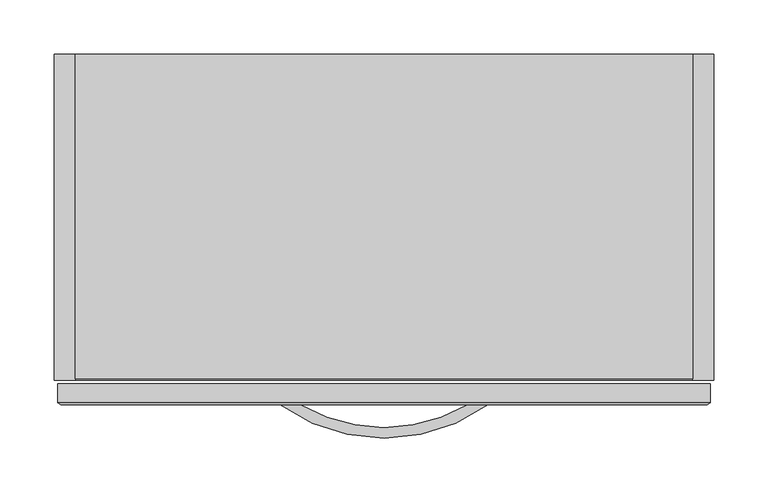
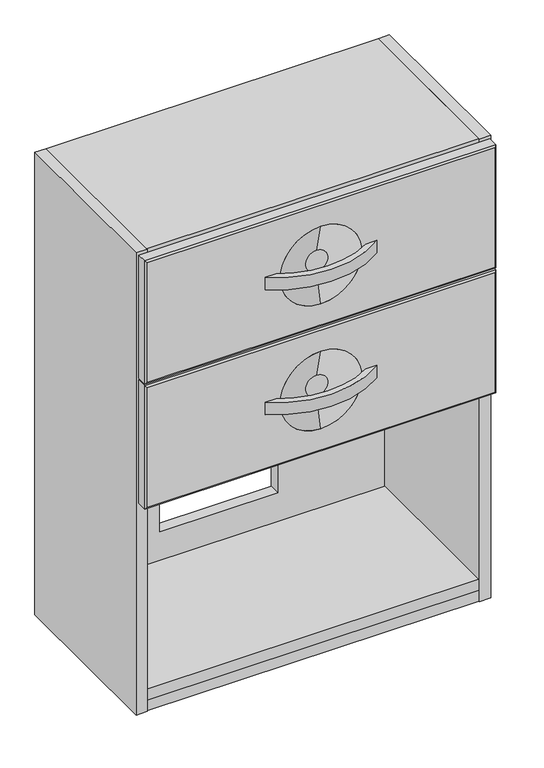
"""IFC4 building model written with IfcOpenShell, lengths in millimetres: furniture geometry."""

from ifc_helpers import new_model, si_unit, point, frame, frame_2d, origin, place, context, project, spatial, polyline, circle_curve, trimmed, segment, composite_curve, outline, extrude, source, transform, mapped, element, save
from ifc_brep_helpers import plane_surface, revolved_surface, advanced_brep


def furniture_4e0581e0(model_context):
    return source(origin(), model_context, "Body", "SolidModel", [
        extrude(outline(composite_curve([segment(trimmed(circle_curve(frame_2d((0.0, 72.6629295)), 164.0076795), [point((95.8949219, -60.3885))], [point((-95.8949219, -60.3885))], False, "CARTESIAN"), True, "CONTINUOUS"), segment(polyline([(-95.8949219, -60.3885), (-77.2350677, -60.3885)]), True, "CONTINUOUS"), segment(trimmed(circle_curve(frame_2d((-0.0016012, 70.8588983)), 152.2855473), [point((-77.2350677, -60.3885))], [point((77.2318653, -60.3885))], True, "CARTESIAN"), True, "CONTINUOUS"), segment(polyline([(77.2318653, -60.3885), (95.8949219, -60.3885)]), True, "CONTINUOUS")], self_intersect=False)), frame((0.0, 0.0, 610.6940618), z_axis=(0.0, 0.0, 1.0), x_axis=(1.0, 0.0, 0.0)), (0.0, 0.0, 1.0), 22.225),
        extrude(outline(composite_curve([segment(trimmed(circle_curve(frame_2d((0.0, 72.6629295)), 164.0076795), [point((95.8949219, -60.3885))], [point((-95.8949219, -60.3885))], False, "CARTESIAN"), True, "CONTINUOUS"), segment(polyline([(-95.8949219, -60.3885), (-77.2350677, -60.3885)]), True, "CONTINUOUS"), segment(trimmed(circle_curve(frame_2d((-0.0016012, 70.8588983)), 152.2855473), [point((-77.2350677, -60.3885))], [point((77.2318653, -60.3885))], True, "CARTESIAN"), True, "CONTINUOUS"), segment(polyline([(77.2318653, -60.3885), (95.8949219, -60.3885)]), True, "CONTINUOUS")], self_intersect=False)), frame((0.0, 0.0, 837.7700618), z_axis=(0.0, 0.0, 1.0), x_axis=(1.0, 0.0, 0.0)), (0.0, 0.0, 1.0), 22.225),
        extrude(outline(polyline([(-285.2298283, 244.0305), (285.2307003, 244.0305), (285.2307003, -37.6643057), (-285.2298283, -37.6643057), (-285.2298283, 244.0305)])), frame((0.0, 0.0, 506.6803472), z_axis=(0.0, 0.0, 1.0), x_axis=(1.0, 0.0, 0.0)), (0.0, 0.0, 1.0), 437.7686674),
        advanced_brep(
        [(298.4501938, -60.3885, 957.6580618), (-298.4500484, -60.3885, 957.6580618), (-298.4500484, -60.3885, 740.1070618), (298.4501938, -60.3885, 740.1070618), (0.0, -60.3885, 919.1234143), (0.0, -60.3885, 778.6417093), (301.6251938, -58.5653555, 960.8330618), (-301.6250484, -58.5653555, 960.8330618), (-301.6250484, -58.5653555, 736.9320618), (301.6251938, -58.5653555, 736.9320618), (301.6251938, -40.8315542, 736.9320618), (301.6251938, -40.8315542, 960.8330618), (-301.6250484, -40.8315542, 960.8330618), (-301.6250484, -40.8315542, 736.9320618), (0.0, -47.6885, 829.8335919), (0.0, -47.6885, 867.9315317)],
        [
            (0, 1),
            (1, 2),
            (2, 3),
            (3, 0),
            (4, 5, circle_curve(frame((0.0, -60.3885, 848.8825618), z_axis=(0.0, 1.0, 0.0), x_axis=(0.0, 0.0, -1.0)), 70.2408525)),
            (5, 4, circle_curve(frame((0.0, -60.3885, 848.8825618), z_axis=(0.0, 1.0, 0.0), x_axis=(0.0, 0.0, 1.0)), 70.2408525)),
            (0, 6),
            (6, 7),
            (7, 1),
            (7, 8),
            (8, 2),
            (8, 9),
            (9, 3),
            (9, 6),
            (9, 10),
            (10, 11),
            (11, 6),
            (7, 12),
            (12, 13),
            (13, 8),
            (13, 10),
            (12, 11),
            (14, 15, circle_curve(frame((0.0, -47.6885, 848.8825618), z_axis=(0.0, -1.0, 0.0), x_axis=(0.0, 0.0, -1.0)), 19.0489699)),
            (15, 14, circle_curve(frame((0.0, -47.6885, 848.8825618), z_axis=(0.0, -1.0, 0.0), x_axis=(0.0, 0.0, 1.0)), 19.0489699)),
            (14, 5),
            (4, 15),
        ],
        [
            plane_surface(frame((7.27e-05, -60.3885, 848.8825618), z_axis=(0.0, -1.0, 0.0), x_axis=(0.0, 0.0, -1.0))),
            plane_surface(frame((7.27e-05, -58.5653555, 960.8330618), z_axis=(0.0, -0.8671989197280988, 0.4979618796880125), x_axis=(-1.0, 0.0, 0.0))),
            plane_surface(frame((-301.6250484, -58.5653555, 848.8825618), z_axis=(-0.4979618796892156, -0.8671989197274079, 0.0), x_axis=(0.0, 0.0, -1.0))),
            plane_surface(frame((7.27e-05, -58.5653555, 736.9320618), z_axis=(0.0, -0.8671989197276954, -0.4979618796887149), x_axis=(1.0, 0.0, 0.0))),
            plane_surface(frame((301.6251938, -58.5653555, 848.8825618), z_axis=(0.49796187968846173, -0.8671989197278408, 0.0), x_axis=(0.0, 0.0, 1.0))),
            plane_surface(frame((301.6251938, -58.5653555, 960.8330618), z_axis=(1.0, 0.0, 0.0), x_axis=(0.0, 0.0, -1.0))),
            plane_surface(frame((-301.6250484, -58.5653555, 960.8330618), z_axis=(-1.0, 0.0, 0.0), x_axis=(0.0, 0.0, 1.0))),
            plane_surface(frame((301.6251938, -58.5653555, 736.9320618), z_axis=(0.0, 0.0, -1.0), x_axis=(-1.0, 0.0, 0.0))),
            plane_surface(frame((301.6251938, -40.8315542, 736.9320618), z_axis=(0.0, 1.0, 0.0), x_axis=(-1.0, 0.0, 0.0))),
            plane_surface(frame((301.6251938, -40.8315542, 960.8330618), z_axis=(0.0, 0.0, 1.0), x_axis=(-1.0, 0.0, 0.0))),
            plane_surface(frame((0.0, -47.6885, 848.8825618), z_axis=(0.0, -1.0, 0.0), x_axis=(1.0, 0.0, 0.0))),
            revolved_surface(polyline([(0.0, -60.3885, 778.6417093), (0.0, -47.6885, 829.8335918880039)]), (0.0, -42.9627133, 848.8825618), (0.0, -1.0, 0.0)),
            revolved_surface(polyline([(0.0, -60.3885, 919.1234143), (0.0, -47.6885, 867.9315317119961)]), (0.0, -42.9627133, 848.8825618), (0.0, -1.0, 0.0)),
        ],
        [
            (0, [[1, 2, 3, 4], [5, 6]]),
            (1, [[-1, 7, 8, 9]]),
            (2, [[-2, -9, 10, 11]]),
            (3, [[-3, -11, 12, 13]]),
            (4, [[-4, -13, 14, -7]]),
            (5, [[15, 16, 17, -14]]),
            (6, [[18, 19, 20, -10]]),
            (7, [[-15, -12, -20, 21]]),
            (8, [[-16, -21, -19, 22]]),
            (9, [[-17, -22, -18, -8]]),
            (10, [[23, 24]]),
            (11, [[-23, 25, -5, 26]]),
            (12, [[-24, -26, -6, -25]]),
        ],
    ),
        advanced_brep(
        [(298.4501938, -60.3885, 730.5820618), (-298.4500484, -60.3885, 730.5820618), (-298.4500484, -60.3885, 513.0310618), (298.4501938, -60.3885, 513.0310618), (0.0, -60.3885, 692.047321), (0.0, -60.3885, 551.5658026), (301.6251938, -58.5653555, 733.7570618), (-301.6250484, -58.5653555, 733.7570618), (-301.6250484, -58.5653555, 509.8560618), (301.6251938, -58.5653555, 509.8560618), (0.0, -47.6885, 602.757667), (0.0, -47.6885, 640.8554566), (301.6251938, -40.8315542, 509.8560618), (301.6251938, -40.8315542, 733.7570618), (-301.6250484, -40.8315542, 733.7570618), (-301.6250484, -40.8315542, 509.8560618)],
        [
            (0, 1),
            (1, 2),
            (2, 3),
            (3, 0),
            (4, 5, circle_curve(frame((0.0, -60.3885, 621.8065618), z_axis=(0.0, 1.0, 0.0), x_axis=(0.0, 0.0, -1.0)), 70.2407592)),
            (5, 4, circle_curve(frame((0.0, -60.3885, 621.8065618), z_axis=(0.0, 1.0, 0.0), x_axis=(0.0, 0.0, 1.0)), 70.2407592)),
            (0, 6),
            (6, 7),
            (7, 1),
            (7, 8),
            (8, 2),
            (8, 9),
            (9, 3),
            (9, 6),
            (10, 11, circle_curve(frame((0.0, -47.6885, 621.8065618), z_axis=(0.0, -1.0, 0.0), x_axis=(0.0, 0.0, -1.0)), 19.0488948)),
            (11, 10, circle_curve(frame((0.0, -47.6885, 621.8065618), z_axis=(0.0, -1.0, 0.0), x_axis=(0.0, 0.0, 1.0)), 19.0488948)),
            (10, 5),
            (4, 11),
            (9, 12),
            (12, 13),
            (13, 6),
            (7, 14),
            (14, 15),
            (15, 8),
            (15, 12),
            (14, 13),
        ],
        [
            plane_surface(frame((7.27e-05, -60.3885, 621.8065618), z_axis=(0.0, -1.0, 0.0), x_axis=(0.0, 0.0, -1.0))),
            plane_surface(frame((7.27e-05, -58.5653555, 733.7570618), z_axis=(0.0, -0.8671989197282179, 0.4979618796878049), x_axis=(-1.0, 0.0, 0.0))),
            plane_surface(frame((-301.6250484, -58.5653555, 621.8065618), z_axis=(-0.4979618796892156, -0.8671989197274079, 0.0), x_axis=(0.0, 0.0, -1.0))),
            plane_surface(frame((7.27e-05, -58.5653555, 509.8560618), z_axis=(0.0, -0.8671989197286305, -0.4979618796870865), x_axis=(1.0, 0.0, 0.0))),
            plane_surface(frame((301.6251938, -58.5653555, 621.8065618), z_axis=(0.49796187968846173, -0.8671989197278408, 0.0), x_axis=(0.0, 0.0, 1.0))),
            plane_surface(frame((0.0, -47.6885, 621.8065618), z_axis=(0.0, -1.0, 0.0), x_axis=(1.0, 0.0, 0.0))),
            revolved_surface(polyline([(0.0, -60.3885, 551.5658026), (0.0, -47.6885, 602.7576668377567)]), (0.0, -42.9627302, 621.8065618), (0.0, -1.0, 0.0)),
            revolved_surface(polyline([(0.0, -60.3885, 692.047321), (0.0, -47.6885, 640.8554567622434)]), (0.0, -42.9627302, 621.8065618), (0.0, -1.0, 0.0)),
            plane_surface(frame((301.6251938, -58.5653555, 733.7570618), z_axis=(1.0, 0.0, 0.0), x_axis=(0.0, 0.0, -1.0))),
            plane_surface(frame((-301.6250484, -58.5653555, 733.7570618), z_axis=(-1.0, 0.0, 0.0), x_axis=(0.0, 0.0, 1.0))),
            plane_surface(frame((301.6251938, -58.5653555, 509.8560618), z_axis=(0.0, 0.0, -1.0), x_axis=(-1.0, 0.0, 0.0))),
            plane_surface(frame((301.6251938, -40.8315542, 509.8560618), z_axis=(0.0, 1.0, 0.0), x_axis=(-1.0, 0.0, 0.0))),
            plane_surface(frame((301.6251938, -40.8315542, 733.7570618), z_axis=(0.0, 0.0, 1.0), x_axis=(-1.0, 0.0, 0.0))),
        ],
        [
            (0, [[1, 2, 3, 4], [5, 6]]),
            (1, [[-1, 7, 8, 9]]),
            (2, [[-2, -9, 10, 11]]),
            (3, [[-3, -11, 12, 13]]),
            (4, [[-4, -13, 14, -7]]),
            (5, [[15, 16]]),
            (6, [[-15, 17, -5, 18]]),
            (7, [[-16, -18, -6, -17]]),
            (8, [[19, 20, 21, -14]]),
            (9, [[22, 23, 24, -10]]),
            (10, [[-19, -12, -24, 25]]),
            (11, [[-20, -25, -23, 26]]),
            (12, [[-21, -26, -22, -8]]),
        ],
    ),
        extrude(outline(polyline([(-285.2298283, 263.5885), (285.2307003, 263.5885), (285.2307003, -36.1411428), (-285.2298283, -36.1411428), (-285.2298283, 263.5885)])), frame((0.0, 0.0, 944.4490146), z_axis=(0.0, 0.0, 1.0), x_axis=(1.0, 0.0, 0.0)), (0.0, 0.0, 1.0), 19.557182),
        extrude(outline(polyline([(-285.2298283, 244.0305), (285.2307003, 244.0305), (285.2307003, -36.1411428), (-285.2298283, -36.1411428), (-285.2298283, 244.0305)])), frame((0.0, 0.0, 143.0927505), z_axis=(0.0, 0.0, 1.0), x_axis=(1.0, 0.0, 0.0)), (0.0, 0.0, 1.0), 19.6163898),
        extrude(outline(polyline([(-285.2298283, 263.5885), (285.2307003, 263.5885), (285.2307003, -36.1411428), (-285.2298283, -36.1411428), (-285.2298283, 263.5885)])), frame((0.0, 0.0, 123.535514), z_axis=(0.0, 0.0, 1.0), x_axis=(1.0, 0.0, 0.0)), (0.0, 0.0, 1.0), 19.5572365),
        extrude(outline(polyline([(-304.8, 263.5885), (-285.2298283, 263.5885), (-285.2298283, -37.6643057), (-304.8, -37.6643057), (-304.8, 263.5885)])), frame((0.0, 0.0, 123.535514), z_axis=(0.0, 0.0, 1.0), x_axis=(1.0, 0.0, 0.0)), (0.0, 0.0, 1.0), 840.4706826),
        extrude(outline(polyline([(285.2307003, 263.5885), (304.8, 263.5885), (304.8, -37.6643057), (285.2307003, -37.6643057), (285.2307003, 263.5885)])), frame((0.0, 0.0, 123.535514), z_axis=(0.0, 0.0, 1.0), x_axis=(1.0, 0.0, 0.0)), (0.0, 0.0, 1.0), 840.4706826),
        extrude(outline(polyline([(944.4490146, 285.2307003), (944.4490146, -285.2298283), (143.0927505, -285.2298283), (143.0927505, 285.2307003), (944.4490146, 285.2307003)]), holes=[polyline([(468.9747001, 101.6009205), (214.9747001, 101.6009205), (214.9747001, -101.6009205), (468.9747001, -101.6009205), (468.9747001, 101.6009205)])]), frame((0.0, 244.0305, 0.0), z_axis=(0.0, 1.0, 0.0), x_axis=(0.0, 0.0, 1.0)), (0.0, 0.0, 1.0), 19.558),
    ])


if __name__ == "__main__":
    model = new_model("IFC4")
    model_context = context("Model", 3, world=origin())
    ifc_project = project(units=[si_unit("LENGTHUNIT", "METRE", prefix="MILLI")], contexts=[model_context])
    site = spatial("IfcSite", under=ifc_project)
    building = spatial("IfcBuilding", under=site)
    placement = place(None, origin())
    furniture_shape = furniture_4e0581e0(model_context)
    element("IfcFurniture", 1, at=placement, inside=building, context=model_context, shape_type="MappedRepresentation", body=[
        mapped(furniture_shape, transform((0.0, 0.0, 0.0), x_axis=(1.0, 0.0, 0.0), y_axis=(0.0, 1.0, 0.0), z_axis=(0.0, 0.0, 1.0))),
    ])
    save(model, "model.ifc")
